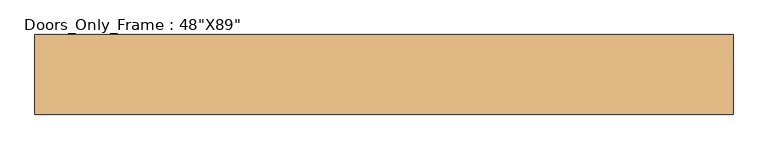
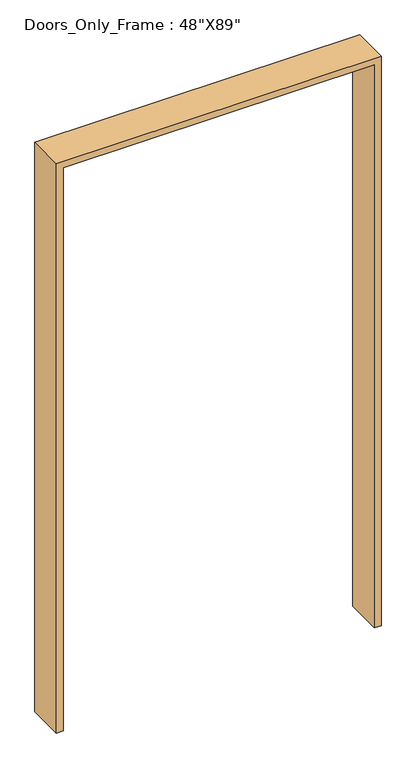
"""IFC4 building model written with IfcOpenShell, lengths in millimetres: door geometry."""

from ifc_helpers import new_model, si_unit, frame, origin, place, context, project, spatial, polyline, outline, extrude, source, transform, mapped, element, save


def door_ef9c7d2f(model_context):
    return source(origin(), model_context, "Body", "SweptSolid", [
        extrude(outline(polyline([(0.0, 609.6), (2260.6, 609.6), (2260.6, -609.6), (0.0, -609.6), (0.0, -584.2), (2235.2, -584.2), (2235.2, 584.2), (0.0, 584.2), (0.0, 609.6)])), frame((0.0, -57.15, 0.0), z_axis=(0.0, 1.0, 0.0), x_axis=(0.0, 0.0, 1.0)), (0.0, 0.0, 1.0), 139.7),
    ])


if __name__ == "__main__":
    model = new_model("IFC4")
    model_context = context("Model", 3, world=origin())
    ifc_project = project(units=[si_unit("LENGTHUNIT", "METRE", prefix="MILLI")], contexts=[model_context])
    site = spatial("IfcSite", under=ifc_project)
    building = spatial("IfcBuilding", under=site)
    placement = place(None, origin())
    door_shape = door_ef9c7d2f(model_context)
    element("IfcDoor", 1, ObjectType="Doors_Only_Frame : 48\"X89\"", at=placement, inside=building, context=model_context, shape_type="MappedRepresentation", body=[
        mapped(door_shape, transform((0.0, 0.0, 0.0), x_axis=(1.0, 0.0, 0.0), y_axis=(0.0, 1.0, 0.0), z_axis=(0.0, 0.0, 1.0))),
    ])
    save(model, "model.ifc")
